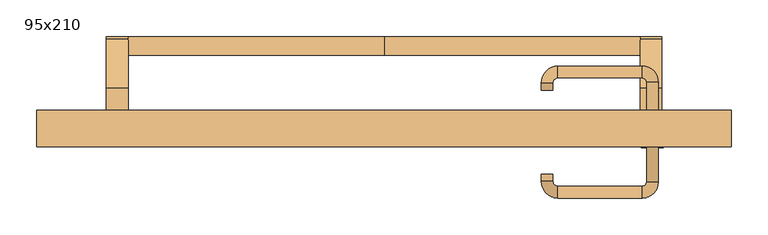
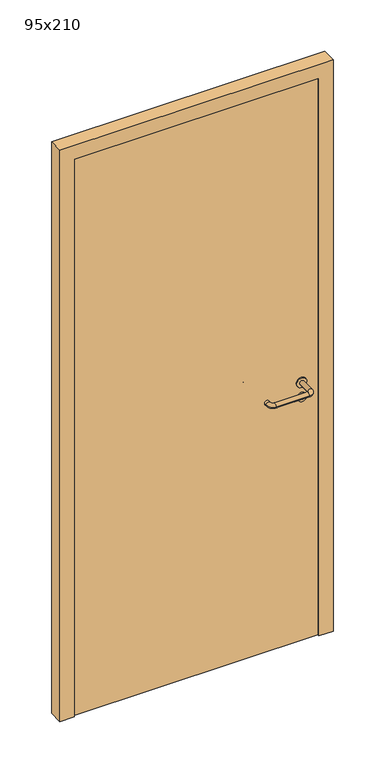
"""IFC4 building model written with IfcOpenShell, lengths in millimetres: door geometry, 95x210."""

from ifc_helpers import new_model, si_unit, point, frame, frame_2d, origin, origin_with_axes, place, context, project, spatial, polyline, circle_curve, ellipse_curve, trimmed, segment, composite_curve, outline, extrude, source, transform, mapped, element, save
from ifc_brep_helpers import plane_surface, cylinder_surface, revolved_surface, advanced_brep


def door_95x210_b4bd1100(model_context):
    return source(origin(), model_context, "Body", "SolidModel", [
        advanced_brep(
        [(-350.0, 50.4171435, 861.5304884), (-350.0, 75.4171435, 861.5304884), (0.0, 75.4171435, 861.5304884), (0.0, 50.4171435, 861.5304884), (350.0, 50.4171435, 861.5304884), (350.0, 75.4171435, 861.5304884)],
        [
            (0, 1, circle_curve(frame((-350.0, 62.9171435, 861.5304884), z_axis=(-1.0, 0.0, 0.0), x_axis=(0.0, 1.0, 0.0)), 12.5)),
            (1, 0, circle_curve(frame((-350.0, 62.9171435, 861.5304884), z_axis=(-1.0, 0.0, 0.0), x_axis=(0.0, 1.0, 0.0)), 12.5)),
            (1, 2),
            (2, 3, circle_curve(frame((0.0, 62.9171435, 861.5304884), z_axis=(-1.0, 0.0, 0.0), x_axis=(0.0, 1.0, 0.0)), 12.5)),
            (3, 0),
            (3, 2, circle_curve(frame((0.0, 62.9171435, 861.5304884), z_axis=(-1.0, 0.0, 0.0), x_axis=(0.0, 1.0, 0.0)), 12.5)),
            (4, 5, circle_curve(frame((350.0, 62.9171435, 861.5304884), z_axis=(1.0, 0.0, 0.0), x_axis=(0.0, 1.0, 0.0)), 12.5)),
            (5, 4, circle_curve(frame((350.0, 62.9171435, 861.5304884), z_axis=(1.0, 0.0, 0.0), x_axis=(0.0, 1.0, 0.0)), 12.5)),
            (4, 3),
            (2, 5),
        ],
        [
            plane_surface(frame((-350.0, 75.4171435, 861.5304884), z_axis=(-1.0, 0.0, 0.0), x_axis=(0.0, 0.0, -1.0))),
            cylinder_surface(frame((-350.0, 62.9171435, 861.5304884), z_axis=(1.0, 0.0, 0.0), x_axis=(0.0, 1.0, 0.0)), 12.5),
            plane_surface(frame((350.0, 75.4171435, 861.5304884), z_axis=(1.0, 0.0, 0.0), x_axis=(0.0, 0.0, 1.0))),
            cylinder_surface(frame((0.0, 62.9171435, 861.5304884), z_axis=(1.0, 0.0, 0.0), x_axis=(0.0, 1.0, 0.0)), 12.5),
        ],
        [
            (0, [[1, 2]]),
            (1, [[-2, 3, 4, 5]]),
            (1, [[-1, -5, 6, -3]]),
            (2, [[7, 8]]),
            (3, [[-7, 9, -4, 10]]),
            (3, [[-8, -10, -6, -9]]),
        ],
    ),
        extrude(outline(composite_curve([segment(polyline([(5.0, 950.0), (72.492699, 869.5653335)]), True, "CONTINUOUS"), segment(trimmed(circle_curve(frame_2d((62.9171435, 861.5304884)), 12.5), [point((72.492699, 869.5653335))], [point((53.3415879, 853.4956432))], False, "CARTESIAN"), True, "CONTINUOUS"), segment(polyline([(53.3415879, 853.4956432), (3.5486991, 895.2768379), (-40.0, 895.2768379), (-40.0, 950.0), (5.0, 950.0)]), True, "CONTINUOUS")], self_intersect=False)), frame((-380.0, 0.0, 0.0), z_axis=(1.0, 0.0, 0.0), x_axis=(0.0, 1.0, 0.0)), (0.0, 0.0, 1.0), 30.0),
        extrude(outline(composite_curve([segment(polyline([(5.0, 950.0), (72.492699, 869.5653335)]), True, "CONTINUOUS"), segment(trimmed(circle_curve(frame_2d((62.9171435, 861.5304884)), 12.5), [point((72.492699, 869.5653335))], [point((53.3415879, 853.4956432))], False, "CARTESIAN"), True, "CONTINUOUS"), segment(polyline([(53.3415879, 853.4956432), (3.5486991, 895.2768379), (-40.0, 895.2768379), (-40.0, 950.0), (5.0, 950.0)]), True, "CONTINUOUS")], self_intersect=False)), frame((350.0, 0.0, 0.0), z_axis=(1.0, 0.0, 0.0), x_axis=(0.0, 1.0, 0.0)), (0.0, 0.0, 1.0), 30.0),
        extrude(outline(composite_curve([segment(trimmed(circle_curve(frame_2d((897.3605726, 367.0)), 15.0), [point((897.3605726, 382.0))], [point((897.3605726, 352.0))], False, "CARTESIAN"), True, "CONTINUOUS"), segment(trimmed(circle_curve(frame_2d((897.3605726, 367.0)), 15.0), [point((897.3605726, 352.0))], [point((897.3605726, 382.0))], False, "CARTESIAN"), True, "CONTINUOUS")], self_intersect=False), holes=[composite_curve([segment(trimmed(circle_curve(frame_2d((892.5833211, 366.9398032)), 2.0), [point((892.5833211, 368.9398032))], [point((892.5833211, 364.9398032))], True, "CARTESIAN"), True, "CONTINUOUS"), segment(polyline([(892.5833211, 364.9398032), (902.5833211, 364.9398032)]), True, "CONTINUOUS"), segment(trimmed(circle_curve(frame_2d((902.5833211, 366.9398032)), 2.0), [point((902.5833211, 364.9398032))], [point((902.5833211, 368.9398032))], True, "CARTESIAN"), True, "CONTINUOUS"), segment(polyline([(902.5833211, 368.9398032), (892.5833211, 368.9398032)]), True, "CONTINUOUS")], self_intersect=False)]), frame((0.0, -40.0, 0.0), z_axis=(0.0, 1.0, 0.0), x_axis=(0.0, 0.0, 1.0)), (0.0, 0.0, 1.0), 6.35),
        extrude(outline(composite_curve([segment(trimmed(circle_curve(frame_2d((950.0, 367.0)), 17.526), [point((950.0, 384.526))], [point((950.0, 349.474))], False, "CARTESIAN"), True, "CONTINUOUS"), segment(trimmed(circle_curve(frame_2d((950.0, 367.0)), 17.526), [point((950.0, 349.474))], [point((950.0, 384.526))], False, "CARTESIAN"), True, "CONTINUOUS")], self_intersect=False)), frame((0.0, -40.0, 0.0), z_axis=(0.0, 1.0, 0.0), x_axis=(0.0, 0.0, 1.0)), (0.0, 0.0, 1.0), 3.175),
        advanced_brep(
        [(375.0, -40.0, 950.0), (359.0, -40.0, 950.0), (375.0, 13.0, 950.0), (359.0, 13.0, 950.0), (352.8578644, 19.1421356, 950.0), (352.8578644, 35.1421356, 950.0), (237.8578644, 35.1421356, 950.0), (237.8578644, 19.1421356, 950.0), (231.008622, 12.2928932, 950.0), (215.008622, 12.2928932, 950.0), (215.008622, 2.2928932, 950.0), (231.008622, 2.2928932, 950.0)],
        [
            (0, 1, circle_curve(frame((367.0, -40.0, 950.0), z_axis=(0.0, -1.0, 0.0), x_axis=(-1.0, 0.0, 0.0)), 8.0)),
            (1, 0, circle_curve(frame((367.0, -40.0, 950.0), z_axis=(0.0, -1.0, 0.0), x_axis=(-1.0, 0.0, 0.0)), 8.0)),
            (0, 2),
            (2, 3, circle_curve(frame((367.0, 13.0, 950.0), z_axis=(0.0, -1.0, 0.0), x_axis=(-1.0, 0.0, 0.0)), 8.0)),
            (3, 1),
            (3, 2, circle_curve(frame((367.0, 13.0, 950.0), z_axis=(0.0, -1.0, 0.0), x_axis=(-1.0, 0.0, 0.0)), 8.0)),
            (4, 3, circle_curve(frame((352.8578644, 13.0, 950.0), z_axis=(0.0, 0.0, -1.0), x_axis=(1.0, 0.0, 0.0)), 6.1421356)),
            (2, 5, circle_curve(frame((352.8578644, 13.0, 950.0), z_axis=(0.0, 0.0, 1.0), x_axis=(1.0, 0.0, 0.0)), 22.1421356)),
            (5, 4, circle_curve(frame((352.8578644, 27.1421356, 950.0), z_axis=(1.0, 0.0, 0.0), x_axis=(0.0, -1.0, 0.0)), 8.0)),
            (4, 5, circle_curve(frame((352.8578644, 27.1421356, 950.0), z_axis=(1.0, 0.0, 0.0), x_axis=(0.0, -1.0, 0.0)), 8.0)),
            (5, 6),
            (6, 7, circle_curve(frame((237.8578644, 27.1421356, 950.0), z_axis=(1.0, 0.0, 0.0), x_axis=(0.0, -1.0, 0.0)), 8.0)),
            (7, 4),
            (7, 6, circle_curve(frame((237.8578644, 27.1421356, 950.0), z_axis=(1.0, 0.0, 0.0), x_axis=(0.0, -1.0, 0.0)), 8.0)),
            (8, 7, circle_curve(frame((237.8578644, 12.2928932, 950.0), z_axis=(0.0, 0.0, -1.0), x_axis=(0.0, 1.0, 0.0)), 6.8492424)),
            (6, 9, circle_curve(frame((237.8578644, 12.2928932, 950.0), z_axis=(0.0, 0.0, 1.0), x_axis=(0.0, 1.0, 0.0)), 22.8492424)),
            (9, 8, circle_curve(frame((223.008622, 12.2928932, 950.0), z_axis=(0.0, 1.0, 0.0), x_axis=(1.0, 0.0, 0.0)), 8.0)),
            (8, 9, circle_curve(frame((223.008622, 12.2928932, 950.0), z_axis=(0.0, 1.0, 0.0), x_axis=(1.0, 0.0, 0.0)), 8.0)),
            (10, 11, circle_curve(frame((223.008622, 2.2928932, 950.0), z_axis=(0.0, -1.0, 0.0), x_axis=(1.0, 0.0, 0.0)), 8.0)),
            (11, 10, circle_curve(frame((223.008622, 2.2928932, 950.0), z_axis=(0.0, -1.0, 0.0), x_axis=(1.0, 0.0, 0.0)), 8.0)),
            (9, 10),
            (11, 8),
        ],
        [
            plane_surface(frame((367.0, -40.0, 170.0), z_axis=(0.0, -1.0, 0.0), x_axis=(0.0, 0.0, 1.0))),
            cylinder_surface(frame((367.0, -40.0, 950.0), z_axis=(0.0, -1.0, 0.0), x_axis=(-1.0, 0.0, 0.0)), 8.0),
            revolved_surface(trimmed(ellipse_curve(frame((367.0, 13.0, 950.0), z_axis=(0.0, -1.0, 0.0), x_axis=(-1.0, 0.0, 0.0)), 8.0, 8.0), [point((375.0, 13.0, 950.0))], [point((359.0, 13.0, 950.0))], True, "CARTESIAN"), (352.8578644, 13.0, 170.0), (0.0, 0.0, 1.0)),
            revolved_surface(trimmed(ellipse_curve(frame((367.0, 13.0, 950.0), z_axis=(0.0, -1.0, 0.0), x_axis=(-1.0, 0.0, 0.0)), 8.0, 8.0), [point((359.0, 13.0, 950.0))], [point((375.0, 13.0, 950.0))], True, "CARTESIAN"), (352.8578644, 13.0, 170.0), (0.0, 0.0, 1.0)),
            cylinder_surface(frame((352.8578644, 27.1421356, 950.0), z_axis=(1.0, 0.0, 0.0), x_axis=(0.0, -1.0, 0.0)), 8.0),
            revolved_surface(trimmed(ellipse_curve(frame((237.8578644, 27.1421356, 950.0), z_axis=(1.0, 0.0, 0.0), x_axis=(0.0, -1.0, 0.0)), 8.0, 8.0), [point((237.8578644, 35.1421356, 950.0))], [point((237.8578644, 19.1421356, 950.0))], True, "CARTESIAN"), (237.8578644, 12.2928932, 170.0), (0.0, 0.0, 1.0)),
            revolved_surface(trimmed(ellipse_curve(frame((237.8578644, 27.1421356, 950.0), z_axis=(1.0, 0.0, 0.0), x_axis=(0.0, -1.0, 0.0)), 8.0, 8.0), [point((237.8578644, 19.1421356, 950.0))], [point((237.8578644, 35.1421356, 950.0))], True, "CARTESIAN"), (237.8578644, 12.2928932, 170.0), (0.0, 0.0, 1.0)),
            plane_surface(frame((223.008622, 2.2928932, 170.0), z_axis=(0.0, -1.0, 0.0), x_axis=(0.0, 0.0, 1.0))),
            cylinder_surface(frame((223.008622, 12.2928932, 950.0), z_axis=(0.0, 1.0, 0.0), x_axis=(1.0, 0.0, 0.0)), 8.0),
        ],
        [
            (0, [[1, 2]]),
            (1, [[-1, 3, 4, 5]]),
            (1, [[-2, -5, 6, -3]]),
            (2, [[7, -4, 8, 9]]),
            (3, [[-8, -6, -7, 10]]),
            (4, [[-9, 11, 12, 13]]),
            (4, [[-10, -13, 14, -11]]),
            (5, [[15, -12, 16, 17]]),
            (6, [[-16, -14, -15, 18]]),
            (7, [[19, 20]]),
            (8, [[-17, 21, -20, 22]]),
            (8, [[-18, -22, -19, -21]]),
        ],
    ),
        extrude(outline(composite_curve([segment(trimmed(circle_curve(frame_2d((0.0, 15.0)), 15.0), [point((0.0, 30.0))], [point((0.0, 0.0))], False, "CARTESIAN"), True, "CONTINUOUS"), segment(trimmed(circle_curve(frame_2d((0.0, 15.0)), 15.0), [point((0.0, 0.0))], [point((0.0, 30.0))], False, "CARTESIAN"), True, "CONTINUOUS")], self_intersect=False), holes=[composite_curve([segment(trimmed(circle_curve(frame_2d((-4.7772515, 14.9398032)), 2.0), [point((-4.7772515, 16.9398032))], [point((-4.7772515, 12.9398032))], True, "CARTESIAN"), True, "CONTINUOUS"), segment(polyline([(-4.7772515, 12.9398032), (5.2227485, 12.9398032)]), True, "CONTINUOUS"), segment(trimmed(circle_curve(frame_2d((5.2227485, 14.9398032)), 2.0), [point((5.2227485, 12.9398032))], [point((5.2227485, 16.9398032))], True, "CARTESIAN"), True, "CONTINUOUS"), segment(polyline([(5.2227485, 16.9398032), (-4.7772515, 16.9398032)]), True, "CONTINUOUS")], self_intersect=False)]), frame((352.0, -76.35, 897.3605726), z_axis=(-1.8870575173328306e-12, 1.0, 0.0), x_axis=(0.0, 0.0, 1.0)), (0.0, 0.0, 1.0), 6.35),
        extrude(outline(composite_curve([segment(trimmed(circle_curve(frame_2d((0.0, 17.526)), 17.526), [point((0.0, 35.052))], [point((0.0, 0.0))], False, "CARTESIAN"), True, "CONTINUOUS"), segment(trimmed(circle_curve(frame_2d((0.0, 17.526)), 17.526), [point((0.0, 0.0))], [point((0.0, 35.052))], False, "CARTESIAN"), True, "CONTINUOUS")], self_intersect=False)), frame((349.474, -73.175, 950.0), z_axis=(-1.8870575173328306e-12, 1.0, 0.0), x_axis=(0.0, 0.0, 1.0)), (0.0, 0.0, 1.0), 3.175),
        advanced_brep(
        [(375.0, -70.0, 950.0), (359.0, -70.0, 950.0), (359.0, -123.0, 950.0), (375.0, -123.0, 950.0), (352.8578644, -129.1421356, 950.0), (352.8578644, -145.1421356, 950.0), (237.8578644, -129.1421356, 950.0), (237.8578644, -145.1421356, 950.0), (231.008622, -122.2928932, 950.0), (215.008622, -122.2928932, 950.0), (215.008622, -112.2928932, 950.0), (231.008622, -112.2928932, 950.0)],
        [
            (0, 1, circle_curve(frame((367.0, -70.0, 950.0), z_axis=(-1.888672253512351e-12, 1.0, 0.0), x_axis=(-1.0, -1.888672253512351e-12, 0.0)), 8.0)),
            (1, 0, circle_curve(frame((367.0, -70.0, 950.0), z_axis=(-1.888672253512351e-12, 1.0, 0.0), x_axis=(-1.0, -1.888672253512351e-12, 0.0)), 8.0)),
            (1, 2),
            (2, 3, circle_curve(frame((367.0, -123.0, 950.0), z_axis=(-1.888672253512351e-12, 1.0, 0.0), x_axis=(-1.0, -1.888672253512351e-12, 0.0)), 8.0)),
            (3, 0),
            (3, 2, circle_curve(frame((367.0, -123.0, 950.0), z_axis=(-1.888672253512351e-12, 1.0, 0.0), x_axis=(-1.0, -1.888672253512351e-12, 0.0)), 8.0)),
            (4, 5, circle_curve(frame((352.8578644, -137.1421356, 950.0), z_axis=(1.0, 1.913702061528922e-12, 0.0), x_axis=(-1.913702061528922e-12, 1.0, 0.0)), 8.0)),
            (5, 3, circle_curve(frame((352.8578644, -123.0, 950.0), z_axis=(0.0, 0.0, 1.0), x_axis=(1.0, 1.880717803715015e-12, 0.0)), 22.1421356)),
            (2, 4, circle_curve(frame((352.8578644, -123.0, 950.0), z_axis=(0.0, 0.0, -1.0), x_axis=(1.0, 1.880717803715015e-12, 0.0)), 6.1421356)),
            (5, 4, circle_curve(frame((352.8578644, -137.1421356, 950.0), z_axis=(1.0, 1.913702061528922e-12, 0.0), x_axis=(-1.913702061528922e-12, 1.0, 0.0)), 8.0)),
            (4, 6),
            (6, 7, circle_curve(frame((237.8578644, -137.1421356, 950.0), z_axis=(1.0, 1.913719828541269e-12, 0.0), x_axis=(-1.913719828541269e-12, 1.0, 0.0)), 8.0)),
            (7, 5),
            (7, 6, circle_curve(frame((237.8578644, -137.1421356, 950.0), z_axis=(1.0, 1.913719828541269e-12, 0.0), x_axis=(-1.913719828541269e-12, 1.0, 0.0)), 8.0)),
            (8, 9, circle_curve(frame((223.008622, -122.2928932, 950.0), z_axis=(1.890226565746826e-12, -1.0, 0.0), x_axis=(1.0, 1.890226565746826e-12, 0.0)), 8.0)),
            (9, 7, circle_curve(frame((237.8578644, -122.2928932, 950.0), z_axis=(0.0, 0.0, 1.0), x_axis=(1.9120873253494017e-12, -1.0, 0.0)), 22.8492424)),
            (6, 8, circle_curve(frame((237.8578644, -122.2928932, 950.0), z_axis=(0.0, 0.0, -1.0), x_axis=(1.9120873253494017e-12, -1.0, 0.0)), 6.8492424)),
            (9, 8, circle_curve(frame((223.008622, -122.2928932, 950.0), z_axis=(1.890670654956676e-12, -1.0, 0.0), x_axis=(1.0, 1.890670654956676e-12, 0.0)), 8.0)),
            (10, 11, circle_curve(frame((223.008622, -112.2928932, 950.0), z_axis=(-1.8903642334018795e-12, 1.0, 0.0), x_axis=(1.0, 1.8903642334018795e-12, 0.0)), 8.0)),
            (11, 10, circle_curve(frame((223.008622, -112.2928932, 950.0), z_axis=(-1.8903642334018795e-12, 1.0, 0.0), x_axis=(1.0, 1.8903642334018795e-12, 0.0)), 8.0)),
            (8, 11),
            (10, 9),
        ],
        [
            plane_surface(frame((367.0, -70.0, 170.0), z_axis=(-1.8870575173328306e-12, 1.0, 0.0), x_axis=(0.0, 0.0, 1.0))),
            cylinder_surface(frame((367.0, -70.0, 950.0), z_axis=(-1.888672253512351e-12, 1.0, 0.0), x_axis=(-1.0, -1.888672253512351e-12, 0.0)), 8.0),
            revolved_surface(trimmed(ellipse_curve(frame((367.0, -123.0, 950.0), z_axis=(1.8823325398945356e-12, -1.0, 0.0), x_axis=(-1.0, -1.8823325398945356e-12, 0.0)), 8.0, 8.0), [point((375.0, -123.0, 950.0))], [point((359.0, -123.0, 950.0))], True, "CARTESIAN"), (352.8578644, -123.0, 170.0), (0.0, 0.0, 1.0)),
            revolved_surface(trimmed(ellipse_curve(frame((367.0, -123.0, 950.0), z_axis=(1.8823325398945356e-12, -1.0, 0.0), x_axis=(-1.0, -1.8823325398945356e-12, 0.0)), 8.0, 8.0), [point((359.0, -123.0, 950.0))], [point((375.0, -123.0, 950.0))], True, "CARTESIAN"), (352.8578644, -123.0, 170.0), (0.0, 0.0, 1.0)),
            cylinder_surface(frame((352.8578644, -137.1421356, 950.0), z_axis=(1.0, 1.913719828541269e-12, 0.0), x_axis=(-1.913719828541269e-12, 1.0, 0.0)), 8.0),
            revolved_surface(trimmed(ellipse_curve(frame((237.8578644, -137.1421356, 950.0), z_axis=(-1.0, -1.913702061528922e-12, 0.0), x_axis=(-1.913702061528922e-12, 1.0, 0.0)), 8.0, 8.0), [point((237.8578644, -145.1421356, 950.0))], [point((237.8578644, -129.1421356, 950.0))], True, "CARTESIAN"), (237.8578644, -122.2928932, 170.0), (0.0, 0.0, 1.0)),
            revolved_surface(trimmed(ellipse_curve(frame((237.8578644, -137.1421356, 950.0), z_axis=(-1.0, -1.913702061528922e-12, 0.0), x_axis=(-1.913702061528922e-12, 1.0, 0.0)), 8.0, 8.0), [point((237.8578644, -129.1421356, 950.0))], [point((237.8578644, -145.1421356, 950.0))], True, "CARTESIAN"), (237.8578644, -122.2928932, 170.0), (0.0, 0.0, 1.0)),
            plane_surface(frame((223.008622, -112.2928932, 170.0), z_axis=(-1.8887494972223595e-12, 1.0, 0.0), x_axis=(0.0, 0.0, 1.0))),
            cylinder_surface(frame((223.008622, -122.2928932, 950.0), z_axis=(1.8903642334018795e-12, -1.0, 0.0), x_axis=(1.0, 1.8903642334018795e-12, 0.0)), 8.0),
        ],
        [
            (0, [[1, 2]]),
            (1, [[3, 4, 5, -2]]),
            (1, [[-5, 6, -3, -1]]),
            (2, [[7, 8, -4, 9]]),
            (3, [[10, -9, -6, -8]]),
            (4, [[11, 12, 13, -7]]),
            (4, [[-13, 14, -11, -10]]),
            (5, [[15, 16, -12, 17]]),
            (6, [[18, -17, -14, -16]]),
            (7, [[19, 20]]),
            (8, [[21, -19, 22, -15]]),
            (8, [[-22, -20, -21, -18]]),
        ],
    ),
        extrude(outline(polyline([(2050.0, 425.0), (0.0, 425.0), (0.0, 475.0), (2100.0, 475.0), (2100.0, -475.0), (0.0, -475.0), (0.0, -425.0), (2050.0, -425.0), (2050.0, 425.0)])), frame((0.0, -75.0, 0.0), z_axis=(0.0, 1.0, 0.0), x_axis=(0.0, 0.0, 1.0)), (0.0, 0.0, 1.0), 50.0),
        extrude(outline(polyline([(-425.0, -70.0), (-425.0, -40.0), (425.0, -40.0), (425.0, -70.0), (-425.0, -70.0)])), origin_with_axes(), (0.0, 0.0, 1.0), 2050.0),
    ])


if __name__ == "__main__":
    model = new_model("IFC4")
    model_context = context("Model", 3, world=origin())
    ifc_project = project(units=[si_unit("LENGTHUNIT", "METRE", prefix="MILLI")], contexts=[model_context])
    site = spatial("IfcSite", under=ifc_project)
    building = spatial("IfcBuilding", under=site)
    placement = place(None, origin())
    door_95x210_shape = door_95x210_b4bd1100(model_context)
    element("IfcDoor", 1, ObjectType="95x210", at=placement, inside=building, context=model_context, shape_type="MappedRepresentation", body=[
        mapped(door_95x210_shape, transform((0.0, 0.0, 0.0), x_axis=(1.0, 0.0, 0.0), y_axis=(0.0, 1.0, 0.0), z_axis=(0.0, 0.0, 1.0))),
    ])
    save(model, "model.ifc")
